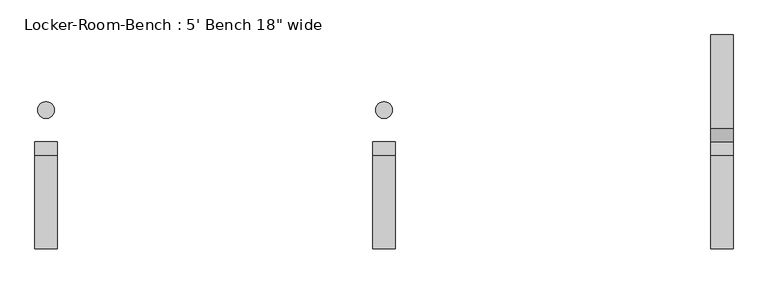
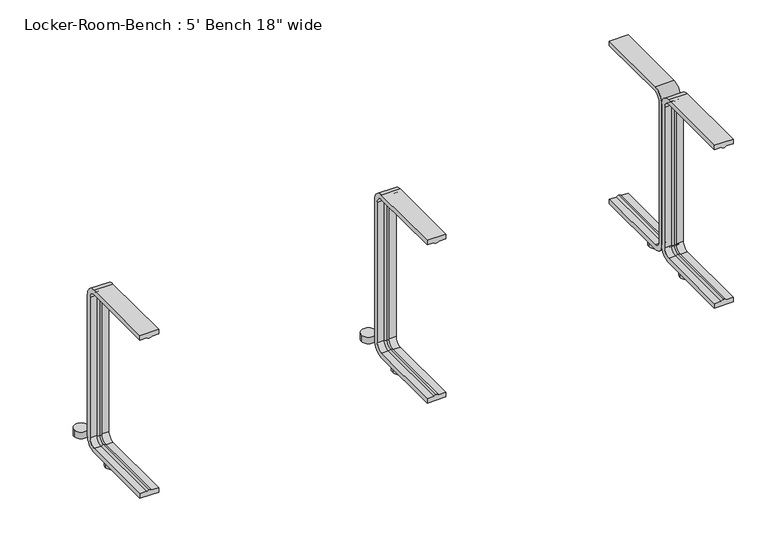
"""IFC4 building model written with IfcOpenShell, lengths in millimetres: proxy geometry."""

from ifc_helpers import new_model, si_unit, point, frame, frame_2d, origin, origin_with_axes, place, context, project, spatial, polyline, circle_curve, ellipse_curve, trimmed, segment, composite_curve, outline, extrude, source, transform, mapped, element, save
from ifc_brep_helpers import plane_surface, cylinder_surface, revolved_surface, advanced_brep


def proxy_f393c798(model_context):
    return source(origin(), model_context, "Body", "SolidModel", [
        extrude(outline(composite_curve([segment(trimmed(circle_curve(frame_2d((612.0, 57.5)), 15.0), [point((597.0, 57.5))], [point((627.0, 57.5))], False, "CARTESIAN"), True, "CONTINUOUS"), segment(trimmed(circle_curve(frame_2d((612.0, 57.5)), 15.0), [point((627.0, 57.5))], [point((597.0, 57.5))], False, "CARTESIAN"), True, "CONTINUOUS")], self_intersect=False)), origin_with_axes(), (0.0, 0.0, 1.0), 15.0),
        extrude(outline(composite_curve([segment(trimmed(circle_curve(frame_2d((612.0, -57.5)), 15.0), [point((597.0, -57.5))], [point((627.0, -57.5))], False, "CARTESIAN"), True, "CONTINUOUS"), segment(trimmed(circle_curve(frame_2d((612.0, -57.5)), 15.0), [point((627.0, -57.5))], [point((597.0, -57.5))], False, "CARTESIAN"), True, "CONTINUOUS")], self_intersect=False)), origin_with_axes(), (0.0, 0.0, 1.0), 15.0),
        extrude(outline(composite_curve([segment(trimmed(circle_curve(frame_2d((0.0, 57.5)), 15.0), [point((-15.0, 57.5))], [point((15.0, 57.5))], False, "CARTESIAN"), True, "CONTINUOUS"), segment(trimmed(circle_curve(frame_2d((0.0, 57.5)), 15.0), [point((15.0, 57.5))], [point((-15.0, 57.5))], False, "CARTESIAN"), True, "CONTINUOUS")], self_intersect=False)), origin_with_axes(), (0.0, 0.0, 1.0), 15.0),
        extrude(outline(composite_curve([segment(trimmed(circle_curve(frame_2d((0.0, -57.5)), 15.0), [point((-15.0, -57.5))], [point((15.0, -57.5))], False, "CARTESIAN"), True, "CONTINUOUS"), segment(trimmed(circle_curve(frame_2d((0.0, -57.5)), 15.0), [point((15.0, -57.5))], [point((-15.0, -57.5))], False, "CARTESIAN"), True, "CONTINUOUS")], self_intersect=False)), origin_with_axes(), (0.0, 0.0, 1.0), 15.0),
        extrude(outline(composite_curve([segment(trimmed(circle_curve(frame_2d((-612.0, 57.5)), 15.0), [point((-627.0, 57.5))], [point((-597.0, 57.5))], False, "CARTESIAN"), True, "CONTINUOUS"), segment(trimmed(circle_curve(frame_2d((-612.0, 57.5)), 15.0), [point((-597.0, 57.5))], [point((-627.0, 57.5))], False, "CARTESIAN"), True, "CONTINUOUS")], self_intersect=False)), origin_with_axes(), (0.0, 0.0, 1.0), 15.0),
        extrude(outline(composite_curve([segment(trimmed(circle_curve(frame_2d((-612.0, -57.5)), 15.0), [point((-627.0, -57.5))], [point((-597.0, -57.5))], False, "CARTESIAN"), True, "CONTINUOUS"), segment(trimmed(circle_curve(frame_2d((-612.0, -57.5)), 15.0), [point((-597.0, -57.5))], [point((-627.0, -57.5))], False, "CARTESIAN"), True, "CONTINUOUS")], self_intersect=False)), origin_with_axes(), (0.0, 0.0, 1.0), 15.0),
        advanced_brep(
        [(632.0, -193.6, 381.4), (592.0, -193.6, 381.4), (592.0, -193.6, 371.4), (607.0, -193.6, 371.4), (612.0, -193.6, 369.0684617), (617.0, -193.6, 371.4), (632.0, -193.6, 371.4), (632.0, -25.0, 371.4), (632.0, -10.0, 356.4), (632.0, -10.0, 40.0), (632.0, -25.0, 25.0), (632.0, -193.6, 25.0), (632.0, -193.6, 15.0), (632.0, -25.0, 15.0), (632.0, 0.0, 40.0), (632.0, 0.0, 356.4), (632.0, -25.0, 381.4), (617.0, -25.0, 371.4), (612.0, -25.0, 369.0684617), (607.0, -25.0, 371.4), (592.0, -25.0, 371.4), (592.0, -25.0, 381.4), (592.0, 0.0, 356.4), (592.0, 0.0, 40.0), (592.0, -25.0, 15.0), (592.0, -193.6, 15.0), (592.0, -193.6, 25.0), (592.0, -25.0, 25.0), (592.0, -10.0, 40.0), (592.0, -10.0, 356.4), (617.0, -10.0, 356.4), (612.0, -12.3315383, 356.4), (607.0, -10.0, 356.4), (617.0, -10.0, 40.0), (612.0, -12.3315383, 40.0), (607.0, -10.0, 40.0), (617.0, -25.0, 25.0), (612.0, -25.0, 27.3315383), (607.0, -25.0, 25.0), (617.0, -193.6, 25.0), (612.0, -193.6, 27.3315383), (607.0, -193.6, 25.0)],
        [
            (0, 1),
            (1, 2),
            (2, 3),
            (3, 4, circle_curve(frame((611.7003591, -193.6, 374.9529162), z_axis=(0.0, -1.0, 0.0), x_axis=(0.0, 0.0, -1.0)), 5.8920785)),
            (4, 5, circle_curve(frame((612.2996409, -193.6, 374.9529162), z_axis=(0.0, -1.0, 0.0), x_axis=(0.0, 0.0, -1.0)), 5.8920785)),
            (5, 6),
            (6, 0),
            (6, 7),
            (7, 8, circle_curve(frame((632.0, -25.0, 356.4), z_axis=(-1.0, 0.0, 0.0), x_axis=(0.0, 0.0, 1.0)), 15.0)),
            (8, 9),
            (9, 10, circle_curve(frame((632.0, -25.0, 40.0), z_axis=(-1.0, 0.0, 0.0), x_axis=(0.0, 1.0, 0.0)), 15.0)),
            (10, 11),
            (11, 12),
            (12, 13),
            (13, 14, circle_curve(frame((632.0, -25.0, 40.0), z_axis=(1.0, 0.0, 0.0), x_axis=(0.0, 1.0, 0.0)), 25.0)),
            (14, 15),
            (15, 16, circle_curve(frame((632.0, -25.0, 356.4), z_axis=(1.0, 0.0, 0.0), x_axis=(0.0, 0.0, 1.0)), 25.0)),
            (16, 0),
            (5, 17),
            (17, 7),
            (4, 18),
            (18, 17, circle_curve(frame((612.2996409, -25.0, 374.9529162), z_axis=(0.0, -1.0, 0.0), x_axis=(0.0, 0.0, -1.0)), 5.8920785)),
            (3, 19),
            (19, 18, circle_curve(frame((611.7003591, -25.0, 374.9529162), z_axis=(0.0, -1.0, 0.0), x_axis=(0.0, 0.0, -1.0)), 5.8920785)),
            (2, 20),
            (20, 19),
            (1, 21),
            (21, 22, circle_curve(frame((592.0, -25.0, 356.4), z_axis=(-1.0, 0.0, 0.0), x_axis=(0.0, 0.0, 1.0)), 25.0)),
            (22, 23),
            (23, 24, circle_curve(frame((592.0, -25.0, 40.0), z_axis=(-1.0, 0.0, 0.0), x_axis=(0.0, 1.0, 0.0)), 25.0)),
            (24, 25),
            (25, 26),
            (26, 27),
            (27, 28, circle_curve(frame((592.0, -25.0, 40.0), z_axis=(1.0, 0.0, 0.0), x_axis=(0.0, 1.0, 0.0)), 15.0)),
            (28, 29),
            (29, 20, circle_curve(frame((592.0, -25.0, 356.4), z_axis=(1.0, 0.0, 0.0), x_axis=(0.0, 0.0, 1.0)), 15.0)),
            (16, 21),
            (30, 8),
            (17, 30, circle_curve(frame((617.0, -25.0, 356.4), z_axis=(-1.0, 0.0, 0.0), x_axis=(0.0, 0.0, 1.0)), 15.0)),
            (31, 30, circle_curve(frame((612.2996409, -6.4470838, 356.4), z_axis=(0.0, 0.0, 1.0), x_axis=(0.0, -1.0, 0.0)), 5.8920785)),
            (18, 31, circle_curve(frame((612.0, -25.0, 356.4), z_axis=(-1.0, 0.0, 0.0), x_axis=(0.0, 0.0, 1.0)), 12.6684617)),
            (32, 31, circle_curve(frame((611.7003591, -6.4470838, 356.4), z_axis=(0.0, 0.0, 1.0), x_axis=(0.0, -1.0, 0.0)), 5.8920785)),
            (19, 32, circle_curve(frame((607.0, -25.0, 356.4), z_axis=(-1.0, 0.0, 0.0), x_axis=(0.0, 0.0, 1.0)), 15.0)),
            (29, 32),
            (15, 22),
            (30, 33),
            (33, 9),
            (31, 34),
            (34, 33, circle_curve(frame((612.2996409, -6.4470838, 40.0), z_axis=(0.0, 0.0, 1.0), x_axis=(0.0, -1.0, 0.0)), 5.8920785)),
            (32, 35),
            (35, 34, circle_curve(frame((611.7003591, -6.4470838, 40.0), z_axis=(0.0, 0.0, 1.0), x_axis=(0.0, -1.0, 0.0)), 5.8920785)),
            (28, 35),
            (14, 23),
            (36, 10),
            (33, 36, circle_curve(frame((617.0, -25.0, 40.0), z_axis=(-1.0, 0.0, 0.0), x_axis=(0.0, 1.0, 0.0)), 15.0)),
            (37, 36, circle_curve(frame((612.2996409, -25.0, 21.4470838), z_axis=(0.0, 1.0, 0.0), x_axis=(0.0, 0.0, 1.0)), 5.8920785)),
            (34, 37, circle_curve(frame((612.0, -25.0, 40.0), z_axis=(-1.0, 0.0, 0.0), x_axis=(0.0, 1.0, 0.0)), 12.6684617)),
            (38, 37, circle_curve(frame((611.7003591, -25.0, 21.4470838), z_axis=(0.0, 1.0, 0.0), x_axis=(0.0, 0.0, 1.0)), 5.8920785)),
            (35, 38, circle_curve(frame((607.0, -25.0, 40.0), z_axis=(-1.0, 0.0, 0.0), x_axis=(0.0, 1.0, 0.0)), 15.0)),
            (27, 38),
            (13, 24),
            (11, 39),
            (39, 40, circle_curve(frame((612.2996409, -193.6, 21.4470838), z_axis=(0.0, -1.0, 0.0), x_axis=(0.0, 0.0, 1.0)), 5.8920785)),
            (40, 41, circle_curve(frame((611.7003591, -193.6, 21.4470838), z_axis=(0.0, -1.0, 0.0), x_axis=(0.0, 0.0, 1.0)), 5.8920785)),
            (41, 26),
            (25, 12),
            (36, 39),
            (37, 40),
            (38, 41),
        ],
        [
            plane_surface(frame((612.0, -193.6, 381.4), z_axis=(0.0, -1.0, 0.0), x_axis=(1.0, 0.0, 0.0))),
            plane_surface(frame((632.0, -193.6, 381.4), z_axis=(1.0, 0.0, 0.0), x_axis=(0.0, 1.0, 0.0))),
            plane_surface(frame((632.0, -193.6, 371.4), z_axis=(0.0, 0.0, -1.0), x_axis=(0.0, 1.0, 0.0))),
            cylinder_surface(frame((612.2996409, -193.6, 374.9529162), z_axis=(0.0, -1.0, 0.0), x_axis=(0.0, 0.0, -1.0)), 5.8920785),
            cylinder_surface(frame((611.7003591, -193.6, 374.9529162), z_axis=(0.0, -1.0, 0.0), x_axis=(0.0, 0.0, -1.0)), 5.8920785),
            plane_surface(frame((607.0, -193.6, 371.4), z_axis=(0.0, 0.0, -1.0), x_axis=(0.0, 1.0, 0.0))),
            plane_surface(frame((592.0, -193.6, 371.4), z_axis=(-1.0, 0.0, 0.0), x_axis=(0.0, 1.0, 0.0))),
            plane_surface(frame((592.0, -193.6, 381.4), z_axis=(0.0, 0.0, 1.0), x_axis=(0.0, 1.0, 0.0))),
            revolved_surface(polyline([(632.0, -25.0, 371.4), (617.0, -25.0, 371.4)]), (612.0, -25.0, 356.4), (1.0, 0.0, 0.0)),
            revolved_surface(trimmed(ellipse_curve(frame((612.2996409, -25.0, 374.9529162), z_axis=(0.0, 1.0, 0.0), x_axis=(0.0, 0.0, -1.0)), 5.8920785, 5.8920785), [point((617.0, -25.0, 371.4))], [point((612.0, -25.0, 369.0684617))], True, "CARTESIAN"), (612.0, -25.0, 356.4), (1.0, 0.0, 0.0)),
            revolved_surface(trimmed(ellipse_curve(frame((611.7003591, -25.0, 374.9529162), z_axis=(0.0, 1.0, 0.0), x_axis=(0.0, 0.0, -1.0)), 5.8920785, 5.8920785), [point((612.0, -25.0, 369.0684617))], [point((607.0, -25.0, 371.4))], True, "CARTESIAN"), (612.0, -25.0, 356.4), (1.0, 0.0, 0.0)),
            revolved_surface(polyline([(607.0, -25.0, 371.4), (592.0, -25.0, 371.4)]), (612.0, -25.0, 356.4), (1.0, 0.0, 0.0)),
            cylinder_surface(frame((612.0, -25.0, 356.4), z_axis=(1.0, 0.0, 0.0), x_axis=(0.0, 0.0, 1.0)), 25.0),
            plane_surface(frame((632.0, -10.0, 356.4), z_axis=(0.0, -1.0, 0.0), x_axis=(0.0, 0.0, -1.0))),
            cylinder_surface(frame((612.2996409, -6.4470838, 356.4), z_axis=(0.0, 0.0, 1.0), x_axis=(0.0, -1.0, 0.0)), 5.8920785),
            cylinder_surface(frame((611.7003591, -6.4470838, 356.4), z_axis=(0.0, 0.0, 1.0), x_axis=(0.0, -1.0, 0.0)), 5.8920785),
            plane_surface(frame((607.0, -10.0, 356.4), z_axis=(0.0, -1.0, 0.0), x_axis=(0.0, 0.0, -1.0))),
            plane_surface(frame((592.0, 0.0, 356.4), z_axis=(0.0, 1.0, 0.0), x_axis=(0.0, 0.0, -1.0))),
            revolved_surface(polyline([(632.0, -10.0, 40.0), (617.0, -10.0, 40.0)]), (612.0, -25.0, 40.0), (1.0, 0.0, 0.0)),
            revolved_surface(trimmed(ellipse_curve(frame((612.2996409, -6.4470838, 40.0), z_axis=(0.0, 0.0, -1.0), x_axis=(0.0, -1.0, 0.0)), 5.8920785, 5.8920785), [point((617.0, -10.0, 40.0))], [point((612.0, -12.3315383, 40.0))], True, "CARTESIAN"), (612.0, -25.0, 40.0), (1.0, 0.0, 0.0)),
            revolved_surface(trimmed(ellipse_curve(frame((611.7003591, -6.4470838, 40.0), z_axis=(0.0, 0.0, -1.0), x_axis=(0.0, -1.0, 0.0)), 5.8920785, 5.8920785), [point((612.0, -12.3315383, 40.0))], [point((607.0, -10.0, 40.0))], True, "CARTESIAN"), (612.0, -25.0, 40.0), (1.0, 0.0, 0.0)),
            revolved_surface(polyline([(607.0, -10.0, 40.0), (592.0, -10.0, 40.0)]), (612.0, -25.0, 40.0), (1.0, 0.0, 0.0)),
            cylinder_surface(frame((612.0, -25.0, 40.0), z_axis=(1.0, 0.0, 0.0), x_axis=(0.0, 1.0, 0.0)), 25.0),
            plane_surface(frame((612.0, -193.6, 15.0), z_axis=(0.0, -1.0, 0.0), x_axis=(1.0, 0.0, 0.0))),
            plane_surface(frame((632.0, -25.0, 25.0), z_axis=(0.0, 0.0, 1.0), x_axis=(0.0, -1.0, 0.0))),
            cylinder_surface(frame((612.2996409, -25.0, 21.4470838), z_axis=(0.0, 1.0, 0.0), x_axis=(0.0, 0.0, 1.0)), 5.8920785),
            cylinder_surface(frame((611.7003591, -25.0, 21.4470838), z_axis=(0.0, 1.0, 0.0), x_axis=(0.0, 0.0, 1.0)), 5.8920785),
            plane_surface(frame((607.0, -25.0, 25.0), z_axis=(0.0, 0.0, 1.0), x_axis=(0.0, -1.0, 0.0))),
            plane_surface(frame((592.0, -25.0, 15.0), z_axis=(0.0, 0.0, -1.0), x_axis=(0.0, -1.0, 0.0))),
        ],
        [
            (0, [[1, 2, 3, 4, 5, 6, 7]]),
            (1, [[8, 9, 10, 11, 12, 13, 14, 15, 16, 17, 18, -7]]),
            (2, [[19, 20, -8, -6]]),
            (3, [[21, 22, -19, -5]]),
            (4, [[23, 24, -21, -4]]),
            (5, [[25, 26, -23, -3]]),
            (6, [[27, 28, 29, 30, 31, 32, 33, 34, 35, 36, -25, -2]]),
            (7, [[-18, 37, -27, -1]]),
            (8, [[38, -9, -20, 39]]),
            (9, [[40, -39, -22, 41]]),
            (10, [[42, -41, -24, 43]]),
            (11, [[44, -43, -26, -36]]),
            (12, [[45, -28, -37, -17]]),
            (13, [[46, 47, -10, -38]]),
            (14, [[48, 49, -46, -40]]),
            (15, [[50, 51, -48, -42]]),
            (16, [[-35, 52, -50, -44]]),
            (17, [[-16, 53, -29, -45]]),
            (18, [[54, -11, -47, 55]]),
            (19, [[56, -55, -49, 57]]),
            (20, [[58, -57, -51, 59]]),
            (21, [[60, -59, -52, -34]]),
            (22, [[61, -30, -53, -15]]),
            (23, [[-13, 62, 63, 64, 65, -32, 66]]),
            (24, [[67, -62, -12, -54]]),
            (25, [[68, -63, -67, -56]]),
            (26, [[69, -64, -68, -58]]),
            (27, [[-33, -65, -69, -60]]),
            (28, [[-14, -66, -31, -61]]),
        ],
    ),
        advanced_brep(
        [(20.0, -193.6, 381.4), (-20.0, -193.6, 381.4), (-20.0, -193.6, 371.4), (-5.0, -193.6, 371.4), (0.0, -193.6, 369.0684617), (5.0, -193.6, 371.4), (20.0, -193.6, 371.4), (20.0, -25.0, 371.4), (20.0, -10.0, 356.4), (20.0, -10.0, 40.0), (20.0, -25.0, 25.0), (20.0, -193.6, 25.0), (20.0, -193.6, 15.0), (20.0, -25.0, 15.0), (20.0, 0.0, 40.0), (20.0, 0.0, 356.4), (20.0, -25.0, 381.4), (5.0, -25.0, 371.4), (0.0, -25.0, 369.0684617), (-5.0, -25.0, 371.4), (-20.0, -25.0, 371.4), (-20.0, -25.0, 381.4), (-20.0, 0.0, 356.4), (-20.0, 0.0, 40.0), (-20.0, -25.0, 15.0), (-20.0, -193.6, 15.0), (-20.0, -193.6, 25.0), (-20.0, -25.0, 25.0), (-20.0, -10.0, 40.0), (-20.0, -10.0, 356.4), (5.0, -10.0, 356.4), (0.0, -12.3315383, 356.4), (-5.0, -10.0, 356.4), (5.0, -10.0, 40.0), (0.0, -12.3315383, 40.0), (-5.0, -10.0, 40.0), (5.0, -25.0, 25.0), (0.0, -25.0, 27.3315383), (-5.0, -25.0, 25.0), (5.0, -193.6, 25.0), (0.0, -193.6, 27.3315383), (-5.0, -193.6, 25.0)],
        [
            (0, 1),
            (1, 2),
            (2, 3),
            (3, 4, circle_curve(frame((-0.2996409, -193.6, 374.9529162), z_axis=(0.0, -1.0, 0.0), x_axis=(0.0, 0.0, -1.0)), 5.8920785)),
            (4, 5, circle_curve(frame((0.2996409, -193.6, 374.9529162), z_axis=(0.0, -1.0, 0.0), x_axis=(0.0, 0.0, -1.0)), 5.8920785)),
            (5, 6),
            (6, 0),
            (6, 7),
            (7, 8, circle_curve(frame((20.0, -25.0, 356.4), z_axis=(-1.0, 0.0, 0.0), x_axis=(0.0, 0.0, 1.0)), 15.0)),
            (8, 9),
            (9, 10, circle_curve(frame((20.0, -25.0, 40.0), z_axis=(-1.0, 0.0, 0.0), x_axis=(0.0, 1.0, 0.0)), 15.0)),
            (10, 11),
            (11, 12),
            (12, 13),
            (13, 14, circle_curve(frame((20.0, -25.0, 40.0), z_axis=(1.0, 0.0, 0.0), x_axis=(0.0, 1.0, 0.0)), 25.0)),
            (14, 15),
            (15, 16, circle_curve(frame((20.0, -25.0, 356.4), z_axis=(1.0, 0.0, 0.0), x_axis=(0.0, 0.0, 1.0)), 25.0)),
            (16, 0),
            (5, 17),
            (17, 7),
            (4, 18),
            (18, 17, circle_curve(frame((0.2996409, -25.0, 374.9529162), z_axis=(0.0, -1.0, 0.0), x_axis=(0.0, 0.0, -1.0)), 5.8920785)),
            (3, 19),
            (19, 18, circle_curve(frame((-0.2996409, -25.0, 374.9529162), z_axis=(0.0, -1.0, 0.0), x_axis=(0.0, 0.0, -1.0)), 5.8920785)),
            (2, 20),
            (20, 19),
            (1, 21),
            (21, 22, circle_curve(frame((-20.0, -25.0, 356.4), z_axis=(-1.0, 0.0, 0.0), x_axis=(0.0, 0.0, 1.0)), 25.0)),
            (22, 23),
            (23, 24, circle_curve(frame((-20.0, -25.0, 40.0), z_axis=(-1.0, 0.0, 0.0), x_axis=(0.0, 1.0, 0.0)), 25.0)),
            (24, 25),
            (25, 26),
            (26, 27),
            (27, 28, circle_curve(frame((-20.0, -25.0, 40.0), z_axis=(1.0, 0.0, 0.0), x_axis=(0.0, 1.0, 0.0)), 15.0)),
            (28, 29),
            (29, 20, circle_curve(frame((-20.0, -25.0, 356.4), z_axis=(1.0, 0.0, 0.0), x_axis=(0.0, 0.0, 1.0)), 15.0)),
            (16, 21),
            (30, 8),
            (17, 30, circle_curve(frame((5.0, -25.0, 356.4), z_axis=(-1.0, 0.0, 0.0), x_axis=(0.0, 0.0, 1.0)), 15.0)),
            (31, 30, circle_curve(frame((0.2996409, -6.4470838, 356.4), z_axis=(0.0, 0.0, 1.0), x_axis=(0.0, -1.0, 0.0)), 5.8920785)),
            (18, 31, circle_curve(frame((0.0, -25.0, 356.4), z_axis=(-1.0, 0.0, 0.0), x_axis=(0.0, 0.0, 1.0)), 12.6684617)),
            (32, 31, circle_curve(frame((-0.2996409, -6.4470838, 356.4), z_axis=(0.0, 0.0, 1.0), x_axis=(0.0, -1.0, 0.0)), 5.8920785)),
            (19, 32, circle_curve(frame((-5.0, -25.0, 356.4), z_axis=(-1.0, 0.0, 0.0), x_axis=(0.0, 0.0, 1.0)), 15.0)),
            (29, 32),
            (15, 22),
            (30, 33),
            (33, 9),
            (31, 34),
            (34, 33, circle_curve(frame((0.2996409, -6.4470838, 40.0), z_axis=(0.0, 0.0, 1.0), x_axis=(0.0, -1.0, 0.0)), 5.8920785)),
            (32, 35),
            (35, 34, circle_curve(frame((-0.2996409, -6.4470838, 40.0), z_axis=(0.0, 0.0, 1.0), x_axis=(0.0, -1.0, 0.0)), 5.8920785)),
            (28, 35),
            (14, 23),
            (36, 10),
            (33, 36, circle_curve(frame((5.0, -25.0, 40.0), z_axis=(-1.0, 0.0, 0.0), x_axis=(0.0, 1.0, 0.0)), 15.0)),
            (37, 36, circle_curve(frame((0.2996409, -25.0, 21.4470838), z_axis=(0.0, 1.0, 0.0), x_axis=(0.0, 0.0, 1.0)), 5.8920785)),
            (34, 37, circle_curve(frame((0.0, -25.0, 40.0), z_axis=(-1.0, 0.0, 0.0), x_axis=(0.0, 1.0, 0.0)), 12.6684617)),
            (38, 37, circle_curve(frame((-0.2996409, -25.0, 21.4470838), z_axis=(0.0, 1.0, 0.0), x_axis=(0.0, 0.0, 1.0)), 5.8920785)),
            (35, 38, circle_curve(frame((-5.0, -25.0, 40.0), z_axis=(-1.0, 0.0, 0.0), x_axis=(0.0, 1.0, 0.0)), 15.0)),
            (27, 38),
            (13, 24),
            (11, 39),
            (39, 40, circle_curve(frame((0.2996409, -193.6, 21.4470838), z_axis=(0.0, -1.0, 0.0), x_axis=(0.0, 0.0, 1.0)), 5.8920785)),
            (40, 41, circle_curve(frame((-0.2996409, -193.6, 21.4470838), z_axis=(0.0, -1.0, 0.0), x_axis=(0.0, 0.0, 1.0)), 5.8920785)),
            (41, 26),
            (25, 12),
            (36, 39),
            (37, 40),
            (38, 41),
        ],
        [
            plane_surface(frame((0.0, -193.6, 381.4), z_axis=(0.0, -1.0, 0.0), x_axis=(1.0, 0.0, 0.0))),
            plane_surface(frame((20.0, -193.6, 381.4), z_axis=(1.0, 0.0, 0.0), x_axis=(0.0, 1.0, 0.0))),
            plane_surface(frame((20.0, -193.6, 371.4), z_axis=(0.0, 0.0, -1.0), x_axis=(0.0, 1.0, 0.0))),
            cylinder_surface(frame((0.2996409, -193.6, 374.9529162), z_axis=(0.0, -1.0, 0.0), x_axis=(0.0, 0.0, -1.0)), 5.8920785),
            cylinder_surface(frame((-0.2996409, -193.6, 374.9529162), z_axis=(0.0, -1.0, 0.0), x_axis=(0.0, 0.0, -1.0)), 5.8920785),
            plane_surface(frame((-5.0, -193.6, 371.4), z_axis=(0.0, 0.0, -1.0), x_axis=(0.0, 1.0, 0.0))),
            plane_surface(frame((-20.0, -193.6, 371.4), z_axis=(-1.0, 0.0, 0.0), x_axis=(0.0, 1.0, 0.0))),
            plane_surface(frame((-20.0, -193.6, 381.4), z_axis=(0.0, 0.0, 1.0), x_axis=(0.0, 1.0, 0.0))),
            revolved_surface(polyline([(20.0, -25.0, 371.4), (5.0, -25.0, 371.4)]), (0.0, -25.0, 356.4), (1.0, 0.0, 0.0)),
            revolved_surface(trimmed(ellipse_curve(frame((0.2996409, -25.0, 374.9529162), z_axis=(0.0, 1.0, 0.0), x_axis=(0.0, 0.0, -1.0)), 5.8920785, 5.8920785), [point((5.0, -25.0, 371.4))], [point((0.0, -25.0, 369.0684617))], True, "CARTESIAN"), (0.0, -25.0, 356.4), (1.0, 0.0, 0.0)),
            revolved_surface(trimmed(ellipse_curve(frame((-0.2996409, -25.0, 374.9529162), z_axis=(0.0, 1.0, 0.0), x_axis=(0.0, 0.0, -1.0)), 5.8920785, 5.8920785), [point((0.0, -25.0, 369.0684617))], [point((-5.0, -25.0, 371.4))], True, "CARTESIAN"), (0.0, -25.0, 356.4), (1.0, 0.0, 0.0)),
            revolved_surface(polyline([(-5.0, -25.0, 371.4), (-20.0, -25.0, 371.4)]), (0.0, -25.0, 356.4), (1.0, 0.0, 0.0)),
            cylinder_surface(frame((0.0, -25.0, 356.4), z_axis=(1.0, 0.0, 0.0), x_axis=(0.0, 0.0, 1.0)), 25.0),
            plane_surface(frame((20.0, -10.0, 356.4), z_axis=(0.0, -1.0, 0.0), x_axis=(0.0, 0.0, -1.0))),
            cylinder_surface(frame((0.2996409, -6.4470838, 356.4), z_axis=(0.0, 0.0, 1.0), x_axis=(0.0, -1.0, 0.0)), 5.8920785),
            cylinder_surface(frame((-0.2996409, -6.4470838, 356.4), z_axis=(0.0, 0.0, 1.0), x_axis=(0.0, -1.0, 0.0)), 5.8920785),
            plane_surface(frame((-5.0, -10.0, 356.4), z_axis=(0.0, -1.0, 0.0), x_axis=(0.0, 0.0, -1.0))),
            plane_surface(frame((-20.0, 0.0, 356.4), z_axis=(0.0, 1.0, 0.0), x_axis=(0.0, 0.0, -1.0))),
            revolved_surface(polyline([(20.0, -10.0, 40.0), (5.0, -10.0, 40.0)]), (0.0, -25.0, 40.0), (1.0, 0.0, 0.0)),
            revolved_surface(trimmed(ellipse_curve(frame((0.2996409, -6.4470838, 40.0), z_axis=(0.0, 0.0, -1.0), x_axis=(0.0, -1.0, 0.0)), 5.8920785, 5.8920785), [point((5.0, -10.0, 40.0))], [point((0.0, -12.3315383, 40.0))], True, "CARTESIAN"), (0.0, -25.0, 40.0), (1.0, 0.0, 0.0)),
            revolved_surface(trimmed(ellipse_curve(frame((-0.2996409, -6.4470838, 40.0), z_axis=(0.0, 0.0, -1.0), x_axis=(0.0, -1.0, 0.0)), 5.8920785, 5.8920785), [point((0.0, -12.3315383, 40.0))], [point((-5.0, -10.0, 40.0))], True, "CARTESIAN"), (0.0, -25.0, 40.0), (1.0, 0.0, 0.0)),
            revolved_surface(polyline([(-5.0, -10.0, 40.0), (-20.0, -10.0, 40.0)]), (0.0, -25.0, 40.0), (1.0, 0.0, 0.0)),
            cylinder_surface(frame((0.0, -25.0, 40.0), z_axis=(1.0, 0.0, 0.0), x_axis=(0.0, 1.0, 0.0)), 25.0),
            plane_surface(frame((0.0, -193.6, 15.0), z_axis=(0.0, -1.0, 0.0), x_axis=(1.0, 0.0, 0.0))),
            plane_surface(frame((20.0, -25.0, 25.0), z_axis=(0.0, 0.0, 1.0), x_axis=(0.0, -1.0, 0.0))),
            cylinder_surface(frame((0.2996409, -25.0, 21.4470838), z_axis=(0.0, 1.0, 0.0), x_axis=(0.0, 0.0, 1.0)), 5.8920785),
            cylinder_surface(frame((-0.2996409, -25.0, 21.4470838), z_axis=(0.0, 1.0, 0.0), x_axis=(0.0, 0.0, 1.0)), 5.8920785),
            plane_surface(frame((-5.0, -25.0, 25.0), z_axis=(0.0, 0.0, 1.0), x_axis=(0.0, -1.0, 0.0))),
            plane_surface(frame((-20.0, -25.0, 15.0), z_axis=(0.0, 0.0, -1.0), x_axis=(0.0, -1.0, 0.0))),
        ],
        [
            (0, [[1, 2, 3, 4, 5, 6, 7]]),
            (1, [[8, 9, 10, 11, 12, 13, 14, 15, 16, 17, 18, -7]]),
            (2, [[19, 20, -8, -6]]),
            (3, [[21, 22, -19, -5]]),
            (4, [[23, 24, -21, -4]]),
            (5, [[25, 26, -23, -3]]),
            (6, [[27, 28, 29, 30, 31, 32, 33, 34, 35, 36, -25, -2]]),
            (7, [[-18, 37, -27, -1]]),
            (8, [[38, -9, -20, 39]]),
            (9, [[40, -39, -22, 41]]),
            (10, [[42, -41, -24, 43]]),
            (11, [[44, -43, -26, -36]]),
            (12, [[45, -28, -37, -17]]),
            (13, [[46, 47, -10, -38]]),
            (14, [[48, 49, -46, -40]]),
            (15, [[50, 51, -48, -42]]),
            (16, [[-35, 52, -50, -44]]),
            (17, [[-16, 53, -29, -45]]),
            (18, [[54, -11, -47, 55]]),
            (19, [[56, -55, -49, 57]]),
            (20, [[58, -57, -51, 59]]),
            (21, [[60, -59, -52, -34]]),
            (22, [[61, -30, -53, -15]]),
            (23, [[-13, 62, 63, 64, 65, -32, 66]]),
            (24, [[67, -62, -12, -54]]),
            (25, [[68, -63, -67, -56]]),
            (26, [[69, -64, -68, -58]]),
            (27, [[-33, -65, -69, -60]]),
            (28, [[-14, -66, -31, -61]]),
        ],
    ),
        advanced_brep(
        [(-592.0, -193.6, 381.4), (-632.0, -193.6, 381.4), (-632.0, -193.6, 371.4), (-617.0, -193.6, 371.4), (-612.0, -193.6, 369.0684617), (-607.0, -193.6, 371.4), (-592.0, -193.6, 371.4), (-592.0, -25.0, 371.4), (-592.0, -10.0, 356.4), (-592.0, -10.0, 40.0), (-592.0, -25.0, 25.0), (-592.0, -193.6, 25.0), (-592.0, -193.6, 15.0), (-592.0, -25.0, 15.0), (-592.0, 0.0, 40.0), (-592.0, 0.0, 356.4), (-592.0, -25.0, 381.4), (-607.0, -25.0, 371.4), (-612.0, -25.0, 369.0684617), (-617.0, -25.0, 371.4), (-632.0, -25.0, 371.4), (-632.0, -25.0, 381.4), (-632.0, 0.0, 356.4), (-632.0, 0.0, 40.0), (-632.0, -25.0, 15.0), (-632.0, -193.6, 15.0), (-632.0, -193.6, 25.0), (-632.0, -25.0, 25.0), (-632.0, -10.0, 40.0), (-632.0, -10.0, 356.4), (-607.0, -10.0, 356.4), (-612.0, -12.3315383, 356.4), (-617.0, -10.0, 356.4), (-607.0, -10.0, 40.0), (-612.0, -12.3315383, 40.0), (-617.0, -10.0, 40.0), (-607.0, -25.0, 25.0), (-612.0, -25.0, 27.3315383), (-617.0, -25.0, 25.0), (-607.0, -193.6, 25.0), (-612.0, -193.6, 27.3315383), (-617.0, -193.6, 25.0)],
        [
            (0, 1),
            (1, 2),
            (2, 3),
            (3, 4, circle_curve(frame((-612.2996409, -193.6, 374.9529162), z_axis=(0.0, -1.0, 0.0), x_axis=(0.0, 0.0, -1.0)), 5.8920785)),
            (4, 5, circle_curve(frame((-611.7003591, -193.6, 374.9529162), z_axis=(0.0, -1.0, 0.0), x_axis=(0.0, 0.0, -1.0)), 5.8920785)),
            (5, 6),
            (6, 0),
            (6, 7),
            (7, 8, circle_curve(frame((-592.0, -25.0, 356.4), z_axis=(-1.0, 0.0, 0.0), x_axis=(0.0, 0.0, 1.0)), 15.0)),
            (8, 9),
            (9, 10, circle_curve(frame((-592.0, -25.0, 40.0), z_axis=(-1.0, 0.0, 0.0), x_axis=(0.0, 1.0, 0.0)), 15.0)),
            (10, 11),
            (11, 12),
            (12, 13),
            (13, 14, circle_curve(frame((-592.0, -25.0, 40.0), z_axis=(1.0, 0.0, 0.0), x_axis=(0.0, 1.0, 0.0)), 25.0)),
            (14, 15),
            (15, 16, circle_curve(frame((-592.0, -25.0, 356.4), z_axis=(1.0, 0.0, 0.0), x_axis=(0.0, 0.0, 1.0)), 25.0)),
            (16, 0),
            (5, 17),
            (17, 7),
            (4, 18),
            (18, 17, circle_curve(frame((-611.7003591, -25.0, 374.9529162), z_axis=(0.0, -1.0, 0.0), x_axis=(0.0, 0.0, -1.0)), 5.8920785)),
            (3, 19),
            (19, 18, circle_curve(frame((-612.2996409, -25.0, 374.9529162), z_axis=(0.0, -1.0, 0.0), x_axis=(0.0, 0.0, -1.0)), 5.8920785)),
            (2, 20),
            (20, 19),
            (1, 21),
            (21, 22, circle_curve(frame((-632.0, -25.0, 356.4), z_axis=(-1.0, 0.0, 0.0), x_axis=(0.0, 0.0, 1.0)), 25.0)),
            (22, 23),
            (23, 24, circle_curve(frame((-632.0, -25.0, 40.0), z_axis=(-1.0, 0.0, 0.0), x_axis=(0.0, 1.0, 0.0)), 25.0)),
            (24, 25),
            (25, 26),
            (26, 27),
            (27, 28, circle_curve(frame((-632.0, -25.0, 40.0), z_axis=(1.0, 0.0, 0.0), x_axis=(0.0, 1.0, 0.0)), 15.0)),
            (28, 29),
            (29, 20, circle_curve(frame((-632.0, -25.0, 356.4), z_axis=(1.0, 0.0, 0.0), x_axis=(0.0, 0.0, 1.0)), 15.0)),
            (16, 21),
            (30, 8),
            (17, 30, circle_curve(frame((-607.0, -25.0, 356.4), z_axis=(-1.0, 0.0, 0.0), x_axis=(0.0, 0.0, 1.0)), 15.0)),
            (31, 30, circle_curve(frame((-611.7003591, -6.4470838, 356.4), z_axis=(0.0, 0.0, 1.0), x_axis=(0.0, -1.0, 0.0)), 5.8920785)),
            (18, 31, circle_curve(frame((-612.0, -25.0, 356.4), z_axis=(-1.0, 0.0, 0.0), x_axis=(0.0, 0.0, 1.0)), 12.6684617)),
            (32, 31, circle_curve(frame((-612.2996409, -6.4470838, 356.4), z_axis=(0.0, 0.0, 1.0), x_axis=(0.0, -1.0, 0.0)), 5.8920785)),
            (19, 32, circle_curve(frame((-617.0, -25.0, 356.4), z_axis=(-1.0, 0.0, 0.0), x_axis=(0.0, 0.0, 1.0)), 15.0)),
            (29, 32),
            (15, 22),
            (30, 33),
            (33, 9),
            (31, 34),
            (34, 33, circle_curve(frame((-611.7003591, -6.4470838, 40.0), z_axis=(0.0, 0.0, 1.0), x_axis=(0.0, -1.0, 0.0)), 5.8920785)),
            (32, 35),
            (35, 34, circle_curve(frame((-612.2996409, -6.4470838, 40.0), z_axis=(0.0, 0.0, 1.0), x_axis=(0.0, -1.0, 0.0)), 5.8920785)),
            (28, 35),
            (14, 23),
            (36, 10),
            (33, 36, circle_curve(frame((-607.0, -25.0, 40.0), z_axis=(-1.0, 0.0, 0.0), x_axis=(0.0, 1.0, 0.0)), 15.0)),
            (37, 36, circle_curve(frame((-611.7003591, -25.0, 21.4470838), z_axis=(0.0, 1.0, 0.0), x_axis=(0.0, 0.0, 1.0)), 5.8920785)),
            (34, 37, circle_curve(frame((-612.0, -25.0, 40.0), z_axis=(-1.0, 0.0, 0.0), x_axis=(0.0, 1.0, 0.0)), 12.6684617)),
            (38, 37, circle_curve(frame((-612.2996409, -25.0, 21.4470838), z_axis=(0.0, 1.0, 0.0), x_axis=(0.0, 0.0, 1.0)), 5.8920785)),
            (35, 38, circle_curve(frame((-617.0, -25.0, 40.0), z_axis=(-1.0, 0.0, 0.0), x_axis=(0.0, 1.0, 0.0)), 15.0)),
            (27, 38),
            (13, 24),
            (11, 39),
            (39, 40, circle_curve(frame((-611.7003591, -193.6, 21.4470838), z_axis=(0.0, -1.0, 0.0), x_axis=(0.0, 0.0, 1.0)), 5.8920785)),
            (40, 41, circle_curve(frame((-612.2996409, -193.6, 21.4470838), z_axis=(0.0, -1.0, 0.0), x_axis=(0.0, 0.0, 1.0)), 5.8920785)),
            (41, 26),
            (25, 12),
            (36, 39),
            (37, 40),
            (38, 41),
        ],
        [
            plane_surface(frame((-612.0, -193.6, 381.4), z_axis=(0.0, -1.0, 0.0), x_axis=(1.0, 0.0, 0.0))),
            plane_surface(frame((-592.0, -193.6, 381.4), z_axis=(1.0, 0.0, 0.0), x_axis=(0.0, 1.0, 0.0))),
            plane_surface(frame((-592.0, -193.6, 371.4), z_axis=(0.0, 0.0, -1.0), x_axis=(0.0, 1.0, 0.0))),
            cylinder_surface(frame((-611.7003591, -193.6, 374.9529162), z_axis=(0.0, -1.0, 0.0), x_axis=(0.0, 0.0, -1.0)), 5.8920785),
            cylinder_surface(frame((-612.2996409, -193.6, 374.9529162), z_axis=(0.0, -1.0, 0.0), x_axis=(0.0, 0.0, -1.0)), 5.8920785),
            plane_surface(frame((-617.0, -193.6, 371.4), z_axis=(0.0, 0.0, -1.0), x_axis=(0.0, 1.0, 0.0))),
            plane_surface(frame((-632.0, -193.6, 371.4), z_axis=(-1.0, 0.0, 0.0), x_axis=(0.0, 1.0, 0.0))),
            plane_surface(frame((-632.0, -193.6, 381.4), z_axis=(0.0, 0.0, 1.0), x_axis=(0.0, 1.0, 0.0))),
            revolved_surface(polyline([(-592.0, -25.0, 371.4), (-607.0, -25.0, 371.4)]), (-612.0, -25.0, 356.4), (1.0, 0.0, 0.0)),
            revolved_surface(trimmed(ellipse_curve(frame((-611.7003591, -25.0, 374.9529162), z_axis=(0.0, 1.0, 0.0), x_axis=(0.0, 0.0, -1.0)), 5.8920785, 5.8920785), [point((-607.0, -25.0, 371.4))], [point((-612.0, -25.0, 369.0684617))], True, "CARTESIAN"), (-612.0, -25.0, 356.4), (1.0, 0.0, 0.0)),
            revolved_surface(trimmed(ellipse_curve(frame((-612.2996409, -25.0, 374.9529162), z_axis=(0.0, 1.0, 0.0), x_axis=(0.0, 0.0, -1.0)), 5.8920785, 5.8920785), [point((-612.0, -25.0, 369.0684617))], [point((-617.0, -25.0, 371.4))], True, "CARTESIAN"), (-612.0, -25.0, 356.4), (1.0, 0.0, 0.0)),
            revolved_surface(polyline([(-617.0, -25.0, 371.4), (-632.0, -25.0, 371.4)]), (-612.0, -25.0, 356.4), (1.0, 0.0, 0.0)),
            cylinder_surface(frame((-612.0, -25.0, 356.4), z_axis=(1.0, 0.0, 0.0), x_axis=(0.0, 0.0, 1.0)), 25.0),
            plane_surface(frame((-592.0, -10.0, 356.4), z_axis=(0.0, -1.0, 0.0), x_axis=(0.0, 0.0, -1.0))),
            cylinder_surface(frame((-611.7003591, -6.4470838, 356.4), z_axis=(0.0, 0.0, 1.0), x_axis=(0.0, -1.0, 0.0)), 5.8920785),
            cylinder_surface(frame((-612.2996409, -6.4470838, 356.4), z_axis=(0.0, 0.0, 1.0), x_axis=(0.0, -1.0, 0.0)), 5.8920785),
            plane_surface(frame((-617.0, -10.0, 356.4), z_axis=(0.0, -1.0, 0.0), x_axis=(0.0, 0.0, -1.0))),
            plane_surface(frame((-632.0, 0.0, 356.4), z_axis=(0.0, 1.0, 0.0), x_axis=(0.0, 0.0, -1.0))),
            revolved_surface(polyline([(-592.0, -10.0, 40.0), (-607.0, -10.0, 40.0)]), (-612.0, -25.0, 40.0), (1.0, 0.0, 0.0)),
            revolved_surface(trimmed(ellipse_curve(frame((-611.7003591, -6.4470838, 40.0), z_axis=(0.0, 0.0, -1.0), x_axis=(0.0, -1.0, 0.0)), 5.8920785, 5.8920785), [point((-607.0, -10.0, 40.0))], [point((-612.0, -12.3315383, 40.0))], True, "CARTESIAN"), (-612.0, -25.0, 40.0), (1.0, 0.0, 0.0)),
            revolved_surface(trimmed(ellipse_curve(frame((-612.2996409, -6.4470838, 40.0), z_axis=(0.0, 0.0, -1.0), x_axis=(0.0, -1.0, 0.0)), 5.8920785, 5.8920785), [point((-612.0, -12.3315383, 40.0))], [point((-617.0, -10.0, 40.0))], True, "CARTESIAN"), (-612.0, -25.0, 40.0), (1.0, 0.0, 0.0)),
            revolved_surface(polyline([(-617.0, -10.0, 40.0), (-632.0, -10.0, 40.0)]), (-612.0, -25.0, 40.0), (1.0, 0.0, 0.0)),
            cylinder_surface(frame((-612.0, -25.0, 40.0), z_axis=(1.0, 0.0, 0.0), x_axis=(0.0, 1.0, 0.0)), 25.0),
            plane_surface(frame((-612.0, -193.6, 15.0), z_axis=(0.0, -1.0, 0.0), x_axis=(1.0, 0.0, 0.0))),
            plane_surface(frame((-592.0, -25.0, 25.0), z_axis=(0.0, 0.0, 1.0), x_axis=(0.0, -1.0, 0.0))),
            cylinder_surface(frame((-611.7003591, -25.0, 21.4470838), z_axis=(0.0, 1.0, 0.0), x_axis=(0.0, 0.0, 1.0)), 5.8920785),
            cylinder_surface(frame((-612.2996409, -25.0, 21.4470838), z_axis=(0.0, 1.0, 0.0), x_axis=(0.0, 0.0, 1.0)), 5.8920785),
            plane_surface(frame((-617.0, -25.0, 25.0), z_axis=(0.0, 0.0, 1.0), x_axis=(0.0, -1.0, 0.0))),
            plane_surface(frame((-632.0, -25.0, 15.0), z_axis=(0.0, 0.0, -1.0), x_axis=(0.0, -1.0, 0.0))),
        ],
        [
            (0, [[1, 2, 3, 4, 5, 6, 7]]),
            (1, [[8, 9, 10, 11, 12, 13, 14, 15, 16, 17, 18, -7]]),
            (2, [[19, 20, -8, -6]]),
            (3, [[21, 22, -19, -5]]),
            (4, [[23, 24, -21, -4]]),
            (5, [[25, 26, -23, -3]]),
            (6, [[27, 28, 29, 30, 31, 32, 33, 34, 35, 36, -25, -2]]),
            (7, [[-18, 37, -27, -1]]),
            (8, [[38, -9, -20, 39]]),
            (9, [[40, -39, -22, 41]]),
            (10, [[42, -41, -24, 43]]),
            (11, [[44, -43, -26, -36]]),
            (12, [[45, -28, -37, -17]]),
            (13, [[46, 47, -10, -38]]),
            (14, [[48, 49, -46, -40]]),
            (15, [[50, 51, -48, -42]]),
            (16, [[-35, 52, -50, -44]]),
            (17, [[-16, 53, -29, -45]]),
            (18, [[54, -11, -47, 55]]),
            (19, [[56, -55, -49, 57]]),
            (20, [[58, -57, -51, 59]]),
            (21, [[60, -59, -52, -34]]),
            (22, [[61, -30, -53, -15]]),
            (23, [[-13, 62, 63, 64, 65, -32, 66]]),
            (24, [[67, -62, -12, -54]]),
            (25, [[68, -63, -67, -56]]),
            (26, [[69, -64, -68, -58]]),
            (27, [[-33, -65, -69, -60]]),
            (28, [[-14, -66, -31, -61]]),
        ],
    ),
        advanced_brep(
        [(632.0, 193.6, 381.4), (632.0, 193.6, 371.4), (617.0, 193.6, 371.4), (612.0, 193.6, 369.0684617), (607.0, 193.6, 371.4), (592.0, 193.6, 371.4), (592.0, 193.6, 381.4), (592.0, 25.0, 381.4), (632.0, 25.0, 381.4), (592.0, 25.0, 371.4), (592.0, 10.0, 356.4), (592.0, 10.0, 40.0), (592.0, 25.0, 25.0), (592.0, 193.6, 25.0), (592.0, 193.6, 15.0), (592.0, 25.0, 15.0), (592.0, 0.0, 40.0), (592.0, 0.0, 356.4), (607.0, 25.0, 371.4), (612.0, 25.0, 369.0684617), (617.0, 25.0, 371.4), (632.0, 25.0, 371.4), (632.0, 0.0, 356.4), (632.0, 0.0, 40.0), (632.0, 25.0, 15.0), (632.0, 193.6, 15.0), (632.0, 193.6, 25.0), (632.0, 25.0, 25.0), (632.0, 10.0, 40.0), (632.0, 10.0, 356.4), (607.0, 10.0, 356.4), (612.0, 12.3315383, 356.4), (617.0, 10.0, 356.4), (607.0, 10.0, 40.0), (612.0, 12.3315383, 40.0), (617.0, 10.0, 40.0), (607.0, 25.0, 25.0), (612.0, 25.0, 27.3315383), (617.0, 25.0, 25.0), (607.0, 193.6, 25.0), (612.0, 193.6, 27.3315383), (617.0, 193.6, 25.0)],
        [
            (0, 1),
            (1, 2),
            (2, 3, circle_curve(frame((612.2996409, 193.6, 374.9529162), z_axis=(0.0, 1.0, 0.0), x_axis=(0.0, 0.0, 1.0)), 5.8920785)),
            (3, 4, circle_curve(frame((611.7003591, 193.6, 374.9529162), z_axis=(0.0, 1.0, 0.0), x_axis=(0.0, 0.0, 1.0)), 5.8920785)),
            (4, 5),
            (5, 6),
            (6, 0),
            (6, 7),
            (7, 8),
            (8, 0),
            (5, 9),
            (9, 10, circle_curve(frame((592.0, 25.0, 356.4), z_axis=(1.0, 0.0, 0.0), x_axis=(0.0, 0.0, 1.0)), 15.0)),
            (10, 11),
            (11, 12, circle_curve(frame((592.0, 25.0, 40.0), z_axis=(1.0, 0.0, 0.0), x_axis=(0.0, -1.0, 0.0)), 15.0)),
            (12, 13),
            (13, 14),
            (14, 15),
            (15, 16, circle_curve(frame((592.0, 25.0, 40.0), z_axis=(-1.0, 0.0, 0.0), x_axis=(0.0, -1.0, 0.0)), 25.0)),
            (16, 17),
            (17, 7, circle_curve(frame((592.0, 25.0, 356.4), z_axis=(-1.0, 0.0, 0.0), x_axis=(0.0, 0.0, 1.0)), 25.0)),
            (4, 18),
            (18, 9),
            (3, 19),
            (19, 18, circle_curve(frame((611.7003591, 25.0, 374.9529162), z_axis=(0.0, 1.0, 0.0), x_axis=(0.0, 0.0, 1.0)), 5.8920785)),
            (2, 20),
            (20, 19, circle_curve(frame((612.2996409, 25.0, 374.9529162), z_axis=(0.0, 1.0, 0.0), x_axis=(0.0, 0.0, 1.0)), 5.8920785)),
            (1, 21),
            (21, 20),
            (8, 22, circle_curve(frame((632.0, 25.0, 356.4), z_axis=(1.0, 0.0, 0.0), x_axis=(0.0, 0.0, 1.0)), 25.0)),
            (22, 23),
            (23, 24, circle_curve(frame((632.0, 25.0, 40.0), z_axis=(1.0, 0.0, 0.0), x_axis=(0.0, -1.0, 0.0)), 25.0)),
            (24, 25),
            (25, 26),
            (26, 27),
            (27, 28, circle_curve(frame((632.0, 25.0, 40.0), z_axis=(-1.0, 0.0, 0.0), x_axis=(0.0, -1.0, 0.0)), 15.0)),
            (28, 29),
            (29, 21, circle_curve(frame((632.0, 25.0, 356.4), z_axis=(-1.0, 0.0, 0.0), x_axis=(0.0, 0.0, 1.0)), 15.0)),
            (17, 22),
            (30, 10),
            (18, 30, circle_curve(frame((607.0, 25.0, 356.4), z_axis=(1.0, 0.0, 0.0), x_axis=(0.0, 0.0, 1.0)), 15.0)),
            (31, 30, circle_curve(frame((611.7003591, 6.4470838, 356.4), z_axis=(0.0, 0.0, 1.0), x_axis=(0.0, -1.0, 0.0)), 5.8920785)),
            (19, 31, circle_curve(frame((612.0, 25.0, 356.4), z_axis=(1.0, 0.0, 0.0), x_axis=(0.0, 0.0, 1.0)), 12.6684617)),
            (32, 31, circle_curve(frame((612.2996409, 6.4470838, 356.4), z_axis=(0.0, 0.0, 1.0), x_axis=(0.0, -1.0, 0.0)), 5.8920785)),
            (20, 32, circle_curve(frame((617.0, 25.0, 356.4), z_axis=(1.0, 0.0, 0.0), x_axis=(0.0, 0.0, 1.0)), 15.0)),
            (29, 32),
            (16, 23),
            (30, 33),
            (33, 11),
            (31, 34),
            (34, 33, circle_curve(frame((611.7003591, 6.4470838, 40.0), z_axis=(0.0, 0.0, 1.0), x_axis=(0.0, -1.0, 0.0)), 5.8920785)),
            (32, 35),
            (35, 34, circle_curve(frame((612.2996409, 6.4470838, 40.0), z_axis=(0.0, 0.0, 1.0), x_axis=(0.0, -1.0, 0.0)), 5.8920785)),
            (28, 35),
            (15, 24),
            (36, 12),
            (33, 36, circle_curve(frame((607.0, 25.0, 40.0), z_axis=(1.0, 0.0, 0.0), x_axis=(0.0, -1.0, 0.0)), 15.0)),
            (37, 36, circle_curve(frame((611.7003591, 25.0, 21.4470838), z_axis=(0.0, -1.0, 0.0), x_axis=(0.0, 0.0, -1.0)), 5.8920785)),
            (34, 37, circle_curve(frame((612.0, 25.0, 40.0), z_axis=(1.0, 0.0, 0.0), x_axis=(0.0, -1.0, 0.0)), 12.6684617)),
            (38, 37, circle_curve(frame((612.2996409, 25.0, 21.4470838), z_axis=(0.0, -1.0, 0.0), x_axis=(0.0, 0.0, -1.0)), 5.8920785)),
            (35, 38, circle_curve(frame((617.0, 25.0, 40.0), z_axis=(1.0, 0.0, 0.0), x_axis=(0.0, -1.0, 0.0)), 15.0)),
            (27, 38),
            (25, 14),
            (13, 39),
            (39, 40, circle_curve(frame((611.7003591, 193.6, 21.4470838), z_axis=(0.0, 1.0, 0.0), x_axis=(0.0, 0.0, -1.0)), 5.8920785)),
            (40, 41, circle_curve(frame((612.2996409, 193.6, 21.4470838), z_axis=(0.0, 1.0, 0.0), x_axis=(0.0, 0.0, -1.0)), 5.8920785)),
            (41, 26),
            (36, 39),
            (37, 40),
            (38, 41),
        ],
        [
            plane_surface(frame((612.0, 193.6, 381.4), z_axis=(0.0, 1.0, 0.0), x_axis=(1.0, 0.0, 0.0))),
            plane_surface(frame((632.0, 193.6, 381.4), z_axis=(0.0, 0.0, 1.0), x_axis=(0.0, -1.0, 0.0))),
            plane_surface(frame((592.0, 193.6, 381.4), z_axis=(-1.0, 0.0, 0.0), x_axis=(0.0, -1.0, 0.0))),
            plane_surface(frame((592.0, 193.6, 371.4), z_axis=(0.0, 0.0, -1.0), x_axis=(0.0, -1.0, 0.0))),
            cylinder_surface(frame((611.7003591, 193.6, 374.9529162), z_axis=(0.0, 1.0, 0.0), x_axis=(0.0, 0.0, 1.0)), 5.8920785),
            cylinder_surface(frame((612.2996409, 193.6, 374.9529162), z_axis=(0.0, 1.0, 0.0), x_axis=(0.0, 0.0, 1.0)), 5.8920785),
            plane_surface(frame((617.0, 193.6, 371.4), z_axis=(0.0, 0.0, -1.0), x_axis=(0.0, -1.0, 0.0))),
            plane_surface(frame((632.0, 193.6, 371.4), z_axis=(1.0, 0.0, 0.0), x_axis=(0.0, -1.0, 0.0))),
            cylinder_surface(frame((612.0, 25.0, 356.4), z_axis=(-1.0, 0.0, 0.0), x_axis=(0.0, 0.0, 1.0)), 25.0),
            revolved_surface(polyline([(592.0, 25.0, 371.4), (607.0, 25.0, 371.4)]), (612.0, 25.0, 356.4), (-1.0, 0.0, 0.0)),
            revolved_surface(trimmed(ellipse_curve(frame((611.7003591, 25.0, 374.9529162), z_axis=(0.0, -1.0, 0.0), x_axis=(0.0, 0.0, 1.0)), 5.8920785, 5.8920785), [point((607.0, 25.0, 371.4))], [point((612.0, 25.0, 369.0684617))], True, "CARTESIAN"), (612.0, 25.0, 356.4), (-1.0, 0.0, 0.0)),
            revolved_surface(trimmed(ellipse_curve(frame((612.2996409, 25.0, 374.9529162), z_axis=(0.0, -1.0, 0.0), x_axis=(0.0, 0.0, 1.0)), 5.8920785, 5.8920785), [point((612.0, 25.0, 369.0684617))], [point((617.0, 25.0, 371.4))], True, "CARTESIAN"), (612.0, 25.0, 356.4), (-1.0, 0.0, 0.0)),
            revolved_surface(polyline([(617.0, 25.0, 371.4), (632.0, 25.0, 371.4)]), (612.0, 25.0, 356.4), (-1.0, 0.0, 0.0)),
            plane_surface(frame((632.0, 0.0, 356.4), z_axis=(0.0, -1.0, 0.0), x_axis=(0.0, 0.0, -1.0))),
            plane_surface(frame((592.0, 10.0, 356.4), z_axis=(0.0, 1.0, 0.0), x_axis=(0.0, 0.0, -1.0))),
            cylinder_surface(frame((611.7003591, 6.4470838, 356.4), z_axis=(0.0, 0.0, 1.0), x_axis=(0.0, -1.0, 0.0)), 5.8920785),
            cylinder_surface(frame((612.2996409, 6.4470838, 356.4), z_axis=(0.0, 0.0, 1.0), x_axis=(0.0, -1.0, 0.0)), 5.8920785),
            plane_surface(frame((617.0, 10.0, 356.4), z_axis=(0.0, 1.0, 0.0), x_axis=(0.0, 0.0, -1.0))),
            cylinder_surface(frame((612.0, 25.0, 40.0), z_axis=(-1.0, 0.0, 0.0), x_axis=(0.0, -1.0, 0.0)), 25.0),
            revolved_surface(polyline([(592.0, 10.0, 40.0), (607.0, 10.0, 40.0)]), (612.0, 25.0, 40.0), (-1.0, 0.0, 0.0)),
            revolved_surface(trimmed(ellipse_curve(frame((611.7003591, 6.4470838, 40.0), z_axis=(0.0, 0.0, -1.0), x_axis=(0.0, -1.0, 0.0)), 5.8920785, 5.8920785), [point((607.0, 10.0, 40.0))], [point((612.0, 12.3315383, 40.0))], True, "CARTESIAN"), (612.0, 25.0, 40.0), (-1.0, 0.0, 0.0)),
            revolved_surface(trimmed(ellipse_curve(frame((612.2996409, 6.4470838, 40.0), z_axis=(0.0, 0.0, -1.0), x_axis=(0.0, -1.0, 0.0)), 5.8920785, 5.8920785), [point((612.0, 12.3315383, 40.0))], [point((617.0, 10.0, 40.0))], True, "CARTESIAN"), (612.0, 25.0, 40.0), (-1.0, 0.0, 0.0)),
            revolved_surface(polyline([(617.0, 10.0, 40.0), (632.0, 10.0, 40.0)]), (612.0, 25.0, 40.0), (-1.0, 0.0, 0.0)),
            plane_surface(frame((612.0, 193.6, 15.0), z_axis=(0.0, 1.0, 0.0), x_axis=(1.0, 0.0, 0.0))),
            plane_surface(frame((632.0, 25.0, 15.0), z_axis=(0.0, 0.0, -1.0), x_axis=(0.0, 1.0, 0.0))),
            plane_surface(frame((592.0, 25.0, 25.0), z_axis=(0.0, 0.0, 1.0), x_axis=(0.0, 1.0, 0.0))),
            cylinder_surface(frame((611.7003591, 25.0, 21.4470838), z_axis=(0.0, -1.0, 0.0), x_axis=(0.0, 0.0, -1.0)), 5.8920785),
            cylinder_surface(frame((612.2996409, 25.0, 21.4470838), z_axis=(0.0, -1.0, 0.0), x_axis=(0.0, 0.0, -1.0)), 5.8920785),
            plane_surface(frame((617.0, 25.0, 25.0), z_axis=(0.0, 0.0, 1.0), x_axis=(0.0, 1.0, 0.0))),
        ],
        [
            (0, [[1, 2, 3, 4, 5, 6, 7]]),
            (1, [[8, 9, 10, -7]]),
            (2, [[11, 12, 13, 14, 15, 16, 17, 18, 19, 20, -8, -6]]),
            (3, [[21, 22, -11, -5]]),
            (4, [[23, 24, -21, -4]]),
            (5, [[25, 26, -23, -3]]),
            (6, [[27, 28, -25, -2]]),
            (7, [[-10, 29, 30, 31, 32, 33, 34, 35, 36, 37, -27, -1]]),
            (8, [[38, -29, -9, -20]]),
            (9, [[39, -12, -22, 40]]),
            (10, [[41, -40, -24, 42]]),
            (11, [[43, -42, -26, 44]]),
            (12, [[45, -44, -28, -37]]),
            (13, [[-19, 46, -30, -38]]),
            (14, [[47, 48, -13, -39]]),
            (15, [[49, 50, -47, -41]]),
            (16, [[51, 52, -49, -43]]),
            (17, [[-36, 53, -51, -45]]),
            (18, [[54, -31, -46, -18]]),
            (19, [[55, -14, -48, 56]]),
            (20, [[57, -56, -50, 58]]),
            (21, [[59, -58, -52, 60]]),
            (22, [[61, -60, -53, -35]]),
            (23, [[62, -16, 63, 64, 65, 66, -33]]),
            (24, [[-17, -62, -32, -54]]),
            (25, [[67, -63, -15, -55]]),
            (26, [[68, -64, -67, -57]]),
            (27, [[69, -65, -68, -59]]),
            (28, [[-34, -66, -69, -61]]),
        ],
    ),
    ])


if __name__ == "__main__":
    model = new_model("IFC4")
    model_context = context("Model", 3, world=origin())
    ifc_project = project(units=[si_unit("LENGTHUNIT", "METRE", prefix="MILLI")], contexts=[model_context])
    site = spatial("IfcSite", under=ifc_project)
    building = spatial("IfcBuilding", under=site)
    placement = place(None, origin())
    proxy_shape = proxy_f393c798(model_context)
    element("IfcBuildingElementProxy", 1, Name="Locker-Room-Bench : 5' Bench 18\" wide", ObjectType="Locker-Room-Bench : 5' Bench 18\" wide", at=placement, inside=building, context=model_context, shape_type="MappedRepresentation", body=[
        mapped(proxy_shape, transform((0.0, 0.0, 0.0), x_axis=(1.0, 0.0, 0.0), y_axis=(0.0, 1.0, 0.0), z_axis=(0.0, 0.0, 1.0))),
    ])
    save(model, "model.ifc")
